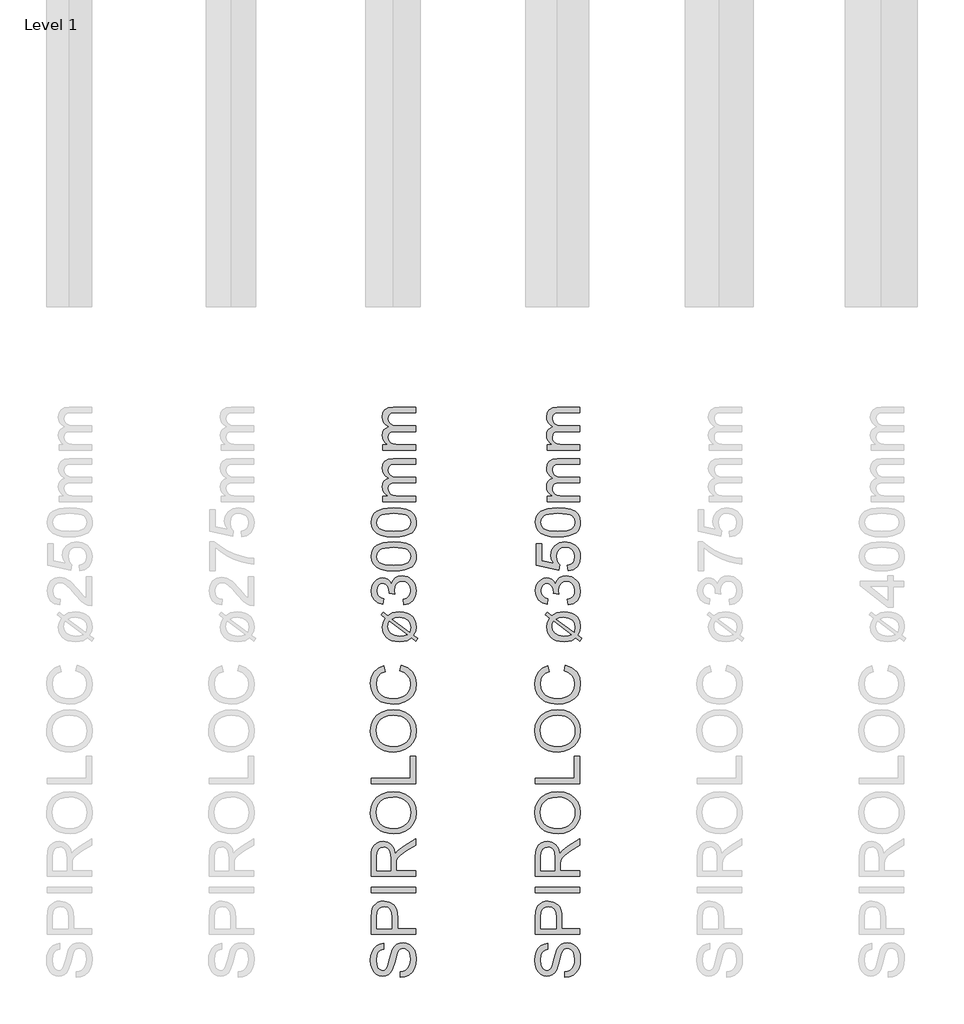
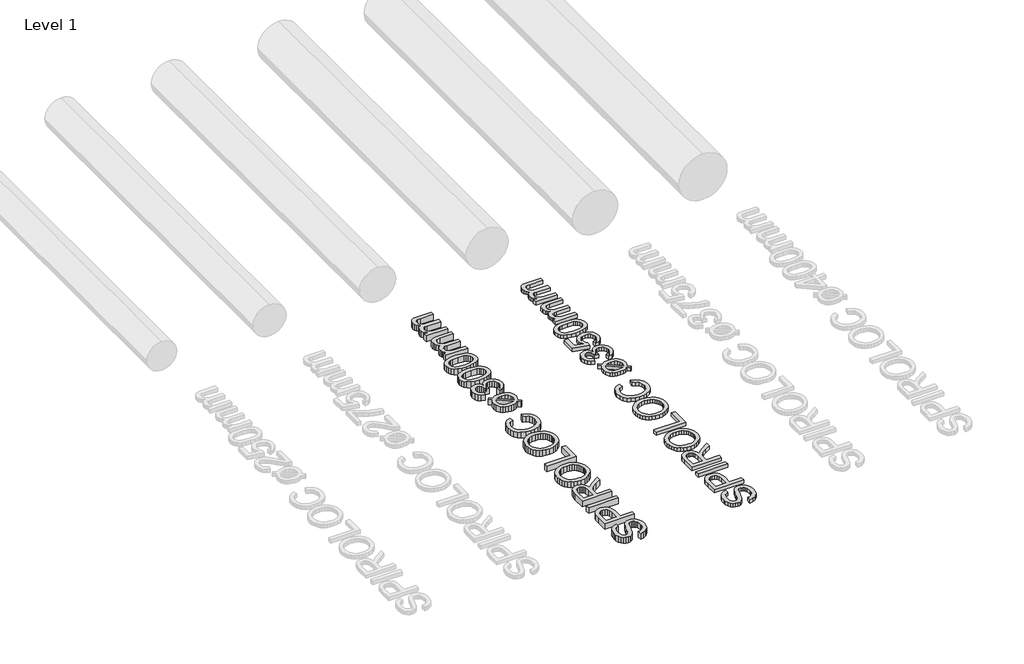
# One storey, part 8 of 19: 2 proxies.
"""IFC4 building model written with IfcOpenShell, lengths in millimetres."""

from ifc_helpers import new_model, si_unit, origin, origin_with_axes, place, context, project, spatial, polyline, outline, extrude, element, save

model = new_model("IFC4")

# Units and contexts
model_context = context("Model", 3, world=origin())
ifc_project = project(units=[si_unit("LENGTHUNIT", "METRE", prefix="MILLI")], contexts=[model_context])

# Site, building, storey
site = spatial("IfcSite", under=ifc_project)
building = spatial("IfcBuilding", under=site)
storey = spatial("IfcBuildingStorey", under=building, Name="Level 1", Elevation=0.0)

# Proxies
placement = place(None, origin())
element("IfcBuildingElementProxy", 1, Name="250mm", ObjectType="250mm", at=placement, inside=storey, context=model_context, shape_type="SweptSolid", body=[
    extrude(outline(polyline([(8708.496646, -1501.7841772), (8708.496646, -1471.0149464), (8725.5714658, -1467.4842974), (8739.2959249, -1461.099081), (8750.1883528, -1451.1381435), (8758.7670787, -1436.880331), (8764.333485, -1419.4524464), (8766.1889537, -1399.9812926), (8760.5699633, -1367.8298502), (8753.8992903, -1355.6678911), (8745.1252518, -1347.0666291), (8735.051634, -1341.950944), (8724.482223, -1340.2457156), (8705.2815018, -1345.3538887), (8697.6868504, -1353.1363406), (8691.309146, -1366.2673502), (8679.560348, -1411.0690329), (8664.3860691, -1459.2961964), (8654.0345066, -1474.6132036), (8641.4894345, -1485.4680714), (8627.0212855, -1491.93592), (8610.9004922, -1494.0918695), (8592.8791581, -1491.4251026), (8576.074771, -1483.4248022), (8561.8319826, -1470.3013046), (8551.4954441, -1452.2649464), (8545.207884, -1430.615307), (8543.1120307, -1406.6519656), (8545.3055403, -1380.6904272), (8551.8860691, -1357.974081), (8562.7184008, -1339.3142252), (8577.6673191, -1325.5221579), (8595.8013335, -1316.7931916), (8616.1889537, -1313.3226387), (8616.1889537, -1344.0918695), (8597.8295787, -1349.7409079), (8584.5783768, -1361.5197541), (8576.5555403, -1379.9242012), (8573.8812614, -1405.4500426), (8576.5254922, -1431.5768454), (8584.4581845, -1449.5005233), (8596.1318624, -1459.8671099), (8609.9990499, -1463.3226387), (8621.8229682, -1460.8737204), (8631.3331845, -1453.5269656), (8639.8367903, -1436.1591772), (8648.5206845, -1403.286581), (8663.965396, -1348.8394656), (8675.1282566, -1331.2989007), (8688.9052999, -1319.0618214), (8705.1462855, -1311.872819), (8723.700973, -1309.4764849), (8742.6688215, -1312.2333959), (8760.5098672, -1320.5041291), (8775.8644345, -1333.9506435), (8787.372848, -1352.2348983), (8794.5618504, -1374.2225786), (8796.9581845, -1398.7793695), (8794.3740499, -1428.9251026), (8786.621646, -1453.7373022), (8773.6709249, -1473.5014248), (8755.4918383, -1488.5029272), (8733.3464057, -1498.1333358), (8708.496646, -1501.7841772)])), origin_with_axes(), (0.0, 0.0, 1.0), 50.0),
    extrude(outline(polyline([(8793.1120307, -1263.3226387), (8546.9581845, -1263.3226387), (8546.9581845, -1172.0966772), (8549.3019345, -1135.317831), (8553.6814417, -1118.919093), (8560.810348, -1105.4199945), (8571.0116701, -1094.5501026), (8584.6084249, -1086.0389849), (8600.6465859, -1080.5401868), (8618.1721268, -1078.7072541), (8647.1835451, -1083.6576748), (8671.357223, -1098.5089368), (8680.8749513, -1110.4023412), (8687.6733287, -1126.2808719), (8691.7523552, -1146.1445287), (8693.1120307, -1169.9933118), (8693.1120307, -1232.5534079), (8793.1120307, -1232.5534079), (8793.1120307, -1263.3226387)]), holes=[polyline([(8662.3427999, -1232.5534079), (8662.3427999, -1168.1904272), (8659.5182807, -1140.9067733), (8651.044723, -1122.8779272), (8637.4479682, -1112.8268454), (8619.2538576, -1109.4764849), (8605.4317422, -1111.4521459), (8593.7730883, -1117.3791291), (8584.9990499, -1126.5212565), (8579.8307807, -1138.1423502), (8577.7274153, -1168.911581), (8577.7274153, -1232.5534079), (8662.3427999, -1232.5534079)])]), origin_with_axes(), (0.0, 0.0, 1.0), 50.0),
    extrude(outline(polyline([(8793.1120307, -1032.5534079), (8546.9581845, -1032.5534079), (8546.9581845, -1001.7841772), (8793.1120307, -1001.7841772), (8793.1120307, -1032.5534079)])), origin_with_axes(), (0.0, 0.0, 1.0), 50.0),
    extrude(outline(polyline([(8793.1120307, -940.2457156), (8546.9581845, -940.2457156), (8546.9581845, -834.1760041), (8548.6183408, -805.6678911), (8553.5988095, -784.927206), (8562.793521, -769.7679512), (8577.0964057, -758.0041291), (8594.8322831, -750.4545498), (8614.325973, -747.9380233), (8638.574771, -752.107194), (8658.6769345, -764.614706), (8673.4155162, -785.8361603), (8681.5735691, -816.1471579), (8694.7346268, -798.6591772), (8726.4052999, -773.7192733), (8793.1120307, -732.6736002), (8793.1120307, -768.4308118), (8742.090396, -800.4620618), (8708.3163576, -823.599081), (8692.3608287, -839.8550906), (8686.5014537, -854.4885041), (8685.419723, -872.3370618), (8685.419723, -909.4764849), (8793.1120307, -909.4764849), (8793.1120307, -940.2457156)]), holes=[polyline([(8654.6504922, -909.4764849), (8654.6504922, -840.6062926), (8650.293521, -805.4800906), (8644.6294585, -793.9266051), (8636.3512133, -785.5281676), (8626.3376917, -780.4124825), (8615.4677999, -778.7072541), (8600.4587855, -781.9599584), (8588.3644345, -791.7180714), (8580.3866701, -808.5074344), (8577.7274153, -832.8538887), (8577.7274153, -909.4764849), (8654.6504922, -909.4764849)])]), origin_with_axes(), (0.0, 0.0, 1.0), 50.0),
    extrude(outline(polyline([(8673.2802999, -705.630331), (8644.407854, -703.5795498), (8618.8482085, -697.427206), (8596.6013636, -687.1732998), (8577.6673191, -672.817831), (8562.5493804, -655.220926), (8551.7508528, -635.2427108), (8545.2717362, -612.8831856), (8543.1120307, -588.1423502), (8547.168521, -555.8556916), (8559.3379922, -526.9043695), (8578.7640739, -502.8659079), (8604.590396, -485.317831), (8635.5699633, -474.5906676), (8670.4557807, -471.0149464), (8705.8073432, -474.778468), (8737.2226076, -486.0690329), (8763.0940018, -504.2631435), (8781.8139537, -528.7373022), (8793.1721268, -557.4407276), (8796.9581845, -588.3226387), (8792.7739898, -621.1050906), (8780.2214057, -650.2216772), (8760.434747, -674.2000426), (8734.5483287, -691.567831), (8704.7631725, -702.114706), (8673.2802999, -705.630331)]), holes=[polyline([(8673.5807807, -674.8611002), (8693.9796689, -673.3230143), (8712.0873912, -668.7087565), (8727.9039477, -661.0183268), (8741.4293383, -650.2517252), (8752.2616701, -637.1639097), (8759.9990499, -622.5098382), (8764.6414778, -606.2895107), (8766.1889537, -588.5029272), (8764.6264537, -570.4121069), (8759.9389537, -554.0002228), (8752.1264537, -539.2672751), (8741.1889537, -526.2132637), (8727.3781064, -515.5255383), (8710.9455643, -507.8914488), (8691.8913275, -503.3109951), (8670.215396, -501.7841772), (8642.9768143, -504.3983599), (8619.434146, -512.2409079), (8600.1808408, -525.1089969), (8585.810348, -542.7998022), (8576.8635331, -564.1414488), (8573.8812614, -587.9620618), (8579.6279561, -621.0600185), (8596.8680403, -649.2000426), (8610.2826286, -660.4267553), (8627.5396148, -668.4458358), (8648.6389988, -673.2572841), (8673.5807807, -674.8611002)])]), origin_with_axes(), (0.0, 0.0, 1.0), 50.0),
    extrude(outline(polyline([(8793.1120307, -428.7072541), (8546.9581845, -428.7072541), (8546.9581845, -397.9380233), (8762.3427999, -397.9380233), (8762.3427999, -274.8611002), (8793.1120307, -274.8611002), (8793.1120307, -428.7072541)])), origin_with_axes(), (0.0, 0.0, 1.0), 50.0),
    extrude(outline(polyline([(8673.2802999, -251.7841772), (8644.407854, -249.7333959), (8618.8482085, -243.5810522), (8596.6013636, -233.3271459), (8577.6673191, -218.9716772), (8562.5493804, -201.3747721), (8551.7508528, -181.396557), (8545.2717362, -159.0370317), (8543.1120307, -134.2961964), (8547.168521, -102.0095377), (8559.3379922, -73.0582156), (8578.7640739, -49.0197541), (8604.590396, -31.4716772), (8635.5699633, -20.7445137), (8670.4557807, -17.1687926), (8705.8073432, -20.9323142), (8737.2226076, -32.2228791), (8763.0940018, -50.4169897), (8781.8139537, -74.8911483), (8793.1721268, -103.5945738), (8796.9581845, -134.4764849), (8792.7739898, -167.2589368), (8780.2214057, -196.3755233), (8760.434747, -220.3538887), (8734.5483287, -237.7216772), (8704.7631725, -248.2685522), (8673.2802999, -251.7841772)]), holes=[polyline([(8673.5807807, -221.0149464), (8693.9796689, -219.4768605), (8712.0873912, -214.8626026), (8727.9039477, -207.172173), (8741.4293383, -196.4055714), (8752.2616701, -183.3177559), (8759.9990499, -168.6636844), (8764.6414778, -152.4433569), (8766.1889537, -134.6567733), (8764.6264537, -116.565953), (8759.9389537, -100.154069), (8752.1264537, -85.4211213), (8741.1889537, -72.3671099), (8727.3781064, -61.6793845), (8710.9455643, -54.045295), (8691.8913275, -49.4648412), (8670.215396, -47.9380233), (8642.9768143, -50.552206), (8619.434146, -58.3947541), (8600.1808408, -71.262843), (8585.810348, -88.9536483), (8576.8635331, -110.295295), (8573.8812614, -134.1159079), (8579.6279561, -167.2138647), (8596.8680403, -195.3538887), (8610.2826286, -206.5806014), (8627.5396148, -214.599682), (8648.6389988, -219.4111303), (8673.5807807, -221.0149464)])]), origin_with_axes(), (0.0, 0.0, 1.0), 50.0),
    extrude(outline(polyline([(8705.6120307, 198.2158228), (8713.544723, 228.9850536), (8749.3995908, 214.7873373), (8775.5940018, 192.5066882), (8791.6171388, 163.2398613), (8796.9581845, 128.0836113), (8792.9167182, 92.3940079), (8780.7923191, 64.0511594), (8761.0056605, 42.3263998), (8733.9774153, 26.4910632), (8702.2015739, 16.8230945), (8668.1721268, 13.6004382), (8632.2796989, 17.2437675), (8601.2851076, 28.1737555), (8576.1724273, 45.8194887), (8557.9257326, 69.6100536), (8546.8154561, 97.8251978), (8543.1120307, 128.744669), (8547.9046989, 162.4811474), (8562.2827037, 190.3732748), (8585.3596268, 211.549657), (8616.2490499, 225.1388998), (8623.5807807, 194.369669), (8601.1423792, 183.7026017), (8585.7502518, 169.1292844), (8576.848509, 150.4694286), (8573.8812614, 127.5427459), (8577.1715258, 101.1154623), (8587.0423191, 79.4057267), (8602.4569826, 62.9318685), (8622.3788576, 52.2122171), (8644.8998912, 46.330306), (8668.1120307, 44.369669), (8696.5375114, 46.6908829), (8721.1168383, 53.6545248), (8740.911009, 65.5235151), (8754.981021, 82.5607748), (8763.3869706, 102.985955), (8766.1889537, 125.0187074), (8762.372848, 150.7023012), (8750.9245307, 172.104044), (8731.9641941, 188.2623974), (8705.6120307, 198.2158228)])), origin_with_axes(), (0.0, 0.0, 1.0), 50.0),
    extrude(outline(polyline([(8626.044723, 490.2831305), (8601.7658768, 508.6725536), (8612.9437614, 523.3360151), (8638.3644345, 504.0451498), (8664.6264537, 519.5499574), (8703.809146, 525.1388998), (8727.3518143, 523.3923553), (8747.559146, 518.1527219), (8764.4311412, 509.4199995), (8777.9677999, 497.1941882), (8792.2105883, 472.2092123), (8796.9581845, 442.5667844), (8792.9167182, 417.822193), (8780.7923191, 396.1124574), (8804.6504922, 378.0235151), (8793.7129922, 363.119669), (8770.9365499, 380.4273613), (8747.7394345, 366.4249574), (8727.9377518, 361.4219526), (8705.6721268, 359.7542844), (8681.7857837, 361.2717123), (8661.4488696, 365.8239959), (8644.6613846, 373.4111353), (8631.4233287, 384.0331305), (8614.2283167, 410.4303661), (8608.496646, 441.0643805), (8612.7334249, 466.0042844), (8626.044723, 490.2831305)]), holes=[polyline([(8647.919723, 473.6965921), (8641.4293383, 458.3119767), (8639.2658768, 442.2062074), (8643.4200234, 421.9988757), (8655.8824633, 405.3672651), (8676.5630523, 394.2344526), (8705.371646, 390.5235151), (8727.7875114, 392.6719526), (8746.2370307, 399.1172651), (8647.919723, 473.6965921)]), polyline([(8663.3043383, 485.1749574), (8761.0807807, 411.0163036), (8766.1889537, 440.5836113), (8762.1249513, 461.9177459), (8749.9329441, 479.1653421), (8729.6279561, 490.5685873), (8701.2250114, 494.369669), (8680.0110691, 492.025919), (8663.3043383, 485.1749574)])]), origin_with_axes(), (0.0, 0.0, 1.0), 50.0),
    extrude(outline(polyline([(8727.7274153, 563.6004382), (8723.8812614, 594.369669), (8743.2171989, 601.2581906), (8756.2730883, 611.3468324), (8763.7099874, 625.1313877), (8766.1889537, 643.1076498), (8762.778497, 664.2013998), (8752.5471268, 680.4874574), (8737.2827037, 690.8991161), (8718.7730883, 694.369669), (8701.2024754, 690.9291642), (8686.9521749, 680.6076498), (8677.5095667, 664.9826498), (8674.3620307, 645.6316882), (8677.7274153, 624.057169), (8646.9581845, 627.4826498), (8647.3187614, 632.4105344), (8645.1102278, 650.8450296), (8638.4846268, 667.3263998), (8627.2766941, 678.9550055), (8611.3211653, 682.8312074), (8598.0324033, 680.0217123), (8587.2526557, 671.5932267), (8580.1087254, 658.7326498), (8577.7274153, 642.6268805), (8580.1312614, 626.4910632), (8587.3427999, 613.2999574), (8599.3620307, 603.6695488), (8616.1889537, 598.2158228), (8612.3427999, 567.4465921), (8584.7135932, 576.5060873), (8564.0855883, 592.6268805), (8551.2400355, 614.682169), (8546.9581845, 641.5451498), (8549.0690619, 660.8885993), (8555.4016941, 678.6545248), (8565.3926797, 693.6334911), (8578.4786172, 704.6160632), (8593.5552398, 711.3543445), (8609.5182807, 713.6004382), (8624.3920787, 711.4670248), (8637.8836653, 705.0667844), (8649.3770547, 694.4898613), (8658.2562614, 679.8263998), (8666.0387133, 699.0872171), (8679.2899153, 713.3600536), (8697.2887133, 722.1941882), (8719.3139537, 725.1388998), (8749.3019345, 719.2494767), (8774.3620307, 701.5812074), (8784.247848, 689.0248673), (8791.309146, 674.9135392), (8796.9581845, 642.025919), (8792.1354682, 612.2783228), (8777.6673191, 588.0595728), (8755.5369105, 571.2176257), (8727.7274153, 563.6004382)])), origin_with_axes(), (0.0, 0.0, 1.0), 50.0),
    extrude(outline(polyline([(8672.0182807, 752.0619767), (8632.6177398, 754.3230945), (8601.1949633, 761.1064478), (8577.2691821, 772.3444286), (8560.3596268, 787.9694286), (8550.3085451, 808.0941281), (8546.9581845, 832.8312074), (8548.9413576, 851.791544), (8554.8908768, 868.7687074), (8564.5738696, 882.9664238), (8577.7574633, 893.588419), (8614.1757326, 908.0114959), (8639.3785571, 912.2032026), (8672.0182807, 913.6004382), (8711.1934609, 911.3618565), (8742.5411172, 904.6461113), (8766.4894345, 893.4757387), (8783.466598, 877.8732748), (8793.5852879, 857.7035031), (8796.9581845, 832.8312074), (8795.4933408, 815.8840921), (8791.0988095, 800.8600536), (8783.7745908, 787.7590921), (8773.5206845, 776.5812074), (8754.984777, 765.854044), (8731.8890739, 758.1917844), (8704.2335751, 753.5944286), (8672.0182807, 752.0619767)]), holes=[polyline([(8671.9581845, 782.8312074), (8720.3581244, 786.4369767), (8736.9127368, 790.9441882), (8748.3704441, 797.2542844), (8761.7343263, 813.3600536), (8766.1889537, 832.8312074), (8761.7193023, 852.3023613), (8748.310348, 868.4081305), (8736.8338606, 874.7182267), (8720.2830042, 879.2254382), (8671.9581845, 882.8312074), (8624.6474874, 879.3456305), (8608.1473371, 874.9886594), (8596.4173191, 868.8888998), (8582.3998912, 852.8131786), (8577.7274153, 832.4706305), (8581.8440018, 813.2098132), (8594.1937614, 797.7350536), (8606.9641941, 791.2146209), (8624.1817422, 786.557169), (8671.9581845, 782.8312074)])]), origin_with_axes(), (0.0, 0.0, 1.0), 50.0),
    extrude(outline(polyline([(8672.0182807, 940.5235151), (8632.6177398, 942.7846329), (8601.1949633, 949.5679863), (8577.2691821, 960.8059671), (8560.3596268, 976.4309671), (8550.3085451, 996.5556666), (8546.9581845, 1021.2927459), (8548.9413576, 1040.2530824), (8554.8908768, 1057.2302459), (8564.5738696, 1071.4279623), (8577.7574633, 1082.0499574), (8614.1757326, 1096.4730344), (8639.3785571, 1100.6647411), (8672.0182807, 1102.0619767), (8711.1934609, 1099.8233949), (8742.5411172, 1093.1076498), (8766.4894345, 1081.9372772), (8783.466598, 1066.3348132), (8793.5852879, 1046.1650416), (8796.9581845, 1021.2927459), (8795.4933408, 1004.3456305), (8791.0988095, 989.3215921), (8783.7745908, 976.2206305), (8773.5206845, 965.0427459), (8754.984777, 954.3155824), (8731.8890739, 946.6533228), (8704.2335751, 942.0559671), (8672.0182807, 940.5235151)]), holes=[polyline([(8671.9581845, 971.2927459), (8720.3581244, 974.8985151), (8736.9127368, 979.4057267), (8748.3704441, 985.7158228), (8761.7343263, 1001.8215921), (8766.1889537, 1021.2927459), (8761.7193023, 1040.7638998), (8748.310348, 1056.869669), (8736.8338606, 1063.1797651), (8720.2830042, 1067.6869767), (8671.9581845, 1071.2927459), (8624.6474874, 1067.807169), (8608.1473371, 1063.4501978), (8596.4173191, 1057.3504382), (8582.3998912, 1041.2747171), (8577.7274153, 1020.932169), (8581.8440018, 1001.6713517), (8594.1937614, 986.1965921), (8606.9641941, 979.6761594), (8624.1817422, 975.0187074), (8671.9581845, 971.2927459)])]), origin_with_axes(), (0.0, 0.0, 1.0), 50.0),
    extrude(outline(polyline([(8793.1120307, 1136.6773613), (8612.3427999, 1136.6773613), (8612.3427999, 1167.4465921), (8642.090396, 1167.4465921), (8628.4260331, 1176.7013998), (8617.7214057, 1188.6004382), (8610.8028359, 1202.7380584), (8608.496646, 1218.7086113), (8610.8479081, 1235.8209911), (8617.9016941, 1249.5379382), (8629.192259, 1259.7843324), (8644.2538576, 1266.4850536), (8628.6100775, 1277.7004983), (8617.4359489, 1290.4934671), (8610.7314718, 1304.8639599), (8608.496646, 1320.8119767), (8612.2150956, 1343.9414839), (8623.3704441, 1361.0463517), (8642.2631725, 1371.6157627), (8669.1937614, 1375.1388998), (8793.1120307, 1375.1388998), (8793.1120307, 1344.369669), (8682.4149153, 1344.369669), (8656.7238095, 1341.5151017), (8644.0735691, 1331.1785632), (8639.2658768, 1313.6004382), (8642.3458047, 1296.9312675), (8651.5855883, 1283.3420248), (8667.6162374, 1274.3050656), (8691.0687614, 1271.2927459), (8793.1120307, 1271.2927459), (8793.1120307, 1240.5235151), (8678.9894345, 1240.5235151), (8661.591598, 1238.7431666), (8649.1817422, 1233.4021209), (8641.7448432, 1224.0045849), (8639.2658768, 1210.0547651), (8640.918521, 1198.2007988), (8645.8764537, 1187.2783228), (8654.0194826, 1178.2638998), (8665.2274153, 1172.1340921), (8701.9461653, 1167.4465921), (8793.1120307, 1167.4465921), (8793.1120307, 1136.6773613)])), origin_with_axes(), (0.0, 0.0, 1.0), 50.0),
    extrude(outline(polyline([(8793.1120307, 1421.2927459), (8612.3427999, 1421.2927459), (8612.3427999, 1452.0619767), (8642.090396, 1452.0619767), (8628.4260331, 1461.3167844), (8617.7214057, 1473.2158228), (8610.8028359, 1487.353443), (8608.496646, 1503.3239959), (8610.8479081, 1520.4363757), (8617.9016941, 1534.1533228), (8629.192259, 1544.3997171), (8644.2538576, 1551.1004382), (8628.6100775, 1562.3158829), (8617.4359489, 1575.1088517), (8610.7314718, 1589.4793445), (8608.496646, 1605.4273613), (8612.2150956, 1628.5568685), (8623.3704441, 1645.6617363), (8642.2631725, 1656.2311474), (8669.1937614, 1659.7542844), (8793.1120307, 1659.7542844), (8793.1120307, 1628.9850536), (8682.4149153, 1628.9850536), (8656.7238095, 1626.1304863), (8644.0735691, 1615.7939478), (8639.2658768, 1598.2158228), (8642.3458047, 1581.5466522), (8651.5855883, 1567.9574094), (8667.6162374, 1558.9204502), (8691.0687614, 1555.9081305), (8793.1120307, 1555.9081305), (8793.1120307, 1525.1388998), (8678.9894345, 1525.1388998), (8661.591598, 1523.3585512), (8649.1817422, 1518.0175055), (8641.7448432, 1508.6199695), (8639.2658768, 1494.6701498), (8640.918521, 1482.8161834), (8645.8764537, 1471.8937074), (8654.0194826, 1462.8792844), (8665.2274153, 1456.7494767), (8701.9461653, 1452.0619767), (8793.1120307, 1452.0619767), (8793.1120307, 1421.2927459)])), origin_with_axes(), (0.0, 0.0, 1.0), 50.0),
])
element("IfcBuildingElementProxy", 2, Name="250mm", ObjectType="250mm", at=placement, inside=storey, context=model_context, shape_type="SweptSolid", body=[
    extrude(outline(polyline([(9619.0735691, -1501.7841772), (9619.0735691, -1471.0149464), (9636.1483888, -1467.4842974), (9649.872848, -1461.099081), (9660.7652758, -1451.1381435), (9669.3440018, -1436.880331), (9674.9104081, -1419.4524464), (9676.7658768, -1399.9812926), (9671.1468864, -1367.8298502), (9664.4762133, -1355.6678911), (9655.7021749, -1347.0666291), (9645.6285571, -1341.950944), (9635.059146, -1340.2457156), (9615.8584249, -1345.3538887), (9608.2637734, -1353.1363406), (9601.8860691, -1366.2673502), (9590.137271, -1411.0690329), (9574.9629922, -1459.2961964), (9564.6114297, -1474.6132036), (9552.0663576, -1485.4680714), (9537.5982085, -1491.93592), (9521.4774153, -1494.0918695), (9503.4560811, -1491.4251026), (9486.6516941, -1483.4248022), (9472.4089057, -1470.3013046), (9462.0723672, -1452.2649464), (9455.7848071, -1430.615307), (9453.6889537, -1406.6519656), (9455.8824633, -1380.6904272), (9462.4629922, -1357.974081), (9473.2953239, -1339.3142252), (9488.2442422, -1325.5221579), (9506.3782566, -1316.7931916), (9526.7658768, -1313.3226387), (9526.7658768, -1344.0918695), (9508.4065018, -1349.7409079), (9495.1552999, -1361.5197541), (9487.1324633, -1379.9242012), (9484.4581845, -1405.4500426), (9487.1024153, -1431.5768454), (9495.0351076, -1449.5005233), (9506.7087855, -1459.8671099), (9520.575973, -1463.3226387), (9532.3998912, -1460.8737204), (9541.9101076, -1453.5269656), (9550.4137133, -1436.1591772), (9559.0976076, -1403.286581), (9574.5423191, -1348.8394656), (9585.7051797, -1331.2989007), (9599.482223, -1319.0618214), (9615.7232085, -1311.872819), (9634.277896, -1309.4764849), (9653.2457446, -1312.2333959), (9671.0867903, -1320.5041291), (9686.4413576, -1333.9506435), (9697.949771, -1352.2348983), (9705.1387734, -1374.2225786), (9707.5351076, -1398.7793695), (9704.950973, -1428.9251026), (9697.1985691, -1453.7373022), (9684.247848, -1473.5014248), (9666.0687614, -1488.5029272), (9643.9233287, -1498.1333358), (9619.0735691, -1501.7841772)])), origin_with_axes(), (0.0, 0.0, 1.0), 30.0),
    extrude(outline(polyline([(9703.6889537, -1263.3226387), (9457.5351076, -1263.3226387), (9457.5351076, -1172.0966772), (9459.8788576, -1135.317831), (9464.2583648, -1118.919093), (9471.387271, -1105.4199945), (9481.5885932, -1094.5501026), (9495.185348, -1086.0389849), (9511.223509, -1080.5401868), (9528.7490499, -1078.7072541), (9557.7604682, -1083.6576748), (9581.934146, -1098.5089368), (9591.4518744, -1110.4023412), (9598.2502518, -1126.2808719), (9602.3292783, -1146.1445287), (9603.6889537, -1169.9933118), (9603.6889537, -1232.5534079), (9703.6889537, -1232.5534079), (9703.6889537, -1263.3226387)]), holes=[polyline([(9572.919723, -1232.5534079), (9572.919723, -1168.1904272), (9570.0952037, -1140.9067733), (9561.621646, -1122.8779272), (9548.0248912, -1112.8268454), (9529.8307807, -1109.4764849), (9516.0086653, -1111.4521459), (9504.3500114, -1117.3791291), (9495.575973, -1126.5212565), (9490.4077037, -1138.1423502), (9488.3043383, -1168.911581), (9488.3043383, -1232.5534079), (9572.919723, -1232.5534079)])]), origin_with_axes(), (0.0, 0.0, 1.0), 30.0),
    extrude(outline(polyline([(9703.6889537, -1032.5534079), (9457.5351076, -1032.5534079), (9457.5351076, -1001.7841772), (9703.6889537, -1001.7841772), (9703.6889537, -1032.5534079)])), origin_with_axes(), (0.0, 0.0, 1.0), 30.0),
    extrude(outline(polyline([(9703.6889537, -940.2457156), (9457.5351076, -940.2457156), (9457.5351076, -834.1760041), (9459.1952638, -805.6678911), (9464.1757326, -784.927206), (9473.3704441, -769.7679512), (9487.6733287, -758.0041291), (9505.4092061, -750.4545498), (9524.902896, -747.9380233), (9549.1516941, -752.107194), (9569.2538576, -764.614706), (9583.9924393, -785.8361603), (9592.1504922, -816.1471579), (9605.3115499, -798.6591772), (9636.982223, -773.7192733), (9703.6889537, -732.6736002), (9703.6889537, -768.4308118), (9652.6673191, -800.4620618), (9618.8932807, -823.599081), (9602.9377518, -839.8550906), (9597.0783768, -854.4885041), (9595.996646, -872.3370618), (9595.996646, -909.4764849), (9703.6889537, -909.4764849), (9703.6889537, -940.2457156)]), holes=[polyline([(9565.2274153, -909.4764849), (9565.2274153, -840.6062926), (9560.8704441, -805.4800906), (9555.2063816, -793.9266051), (9546.9281364, -785.5281676), (9536.9146148, -780.4124825), (9526.044723, -778.7072541), (9511.0357085, -781.9599584), (9498.9413576, -791.7180714), (9490.9635932, -808.5074344), (9488.3043383, -832.8538887), (9488.3043383, -909.4764849), (9565.2274153, -909.4764849)])]), origin_with_axes(), (0.0, 0.0, 1.0), 30.0),
    extrude(outline(polyline([(9583.857223, -705.630331), (9554.984777, -703.5795498), (9529.4251316, -697.427206), (9507.1782867, -687.1732998), (9488.2442422, -672.817831), (9473.1263035, -655.220926), (9462.3277758, -635.2427108), (9455.8486593, -612.8831856), (9453.6889537, -588.1423502), (9457.7454441, -555.8556916), (9469.9149153, -526.9043695), (9489.340997, -502.8659079), (9515.1673191, -485.317831), (9546.1468864, -474.5906676), (9581.0327037, -471.0149464), (9616.3842662, -474.778468), (9647.7995307, -486.0690329), (9673.6709249, -504.2631435), (9692.3908768, -528.7373022), (9703.7490499, -557.4407276), (9707.5351076, -588.3226387), (9703.3509129, -621.1050906), (9690.7983287, -650.2216772), (9671.0116701, -674.2000426), (9645.1252518, -691.567831), (9615.3400956, -702.114706), (9583.857223, -705.630331)]), holes=[polyline([(9584.1577037, -674.8611002), (9604.556592, -673.3230143), (9622.6643143, -668.7087565), (9638.4808708, -661.0183268), (9652.0062614, -650.2517252), (9662.8385932, -637.1639097), (9670.575973, -622.5098382), (9675.2184008, -606.2895107), (9676.7658768, -588.5029272), (9675.2033768, -570.4121069), (9670.5158768, -554.0002228), (9662.7033768, -539.2672751), (9651.7658768, -526.2132637), (9637.9550295, -515.5255383), (9621.5224874, -507.8914488), (9602.4682506, -503.3109951), (9580.7923191, -501.7841772), (9553.5537374, -504.3983599), (9530.0110691, -512.2409079), (9510.7577638, -525.1089969), (9496.387271, -542.7998022), (9487.4404561, -564.1414488), (9484.4581845, -587.9620618), (9490.2048792, -621.0600185), (9507.4449633, -649.2000426), (9520.8595517, -660.4267553), (9538.1165379, -668.4458358), (9559.2159219, -673.2572841), (9584.1577037, -674.8611002)])]), origin_with_axes(), (0.0, 0.0, 1.0), 30.0),
    extrude(outline(polyline([(9703.6889537, -428.7072541), (9457.5351076, -428.7072541), (9457.5351076, -397.9380233), (9672.919723, -397.9380233), (9672.919723, -274.8611002), (9703.6889537, -274.8611002), (9703.6889537, -428.7072541)])), origin_with_axes(), (0.0, 0.0, 1.0), 30.0),
    extrude(outline(polyline([(9583.857223, -251.7841772), (9554.984777, -249.7333959), (9529.4251316, -243.5810522), (9507.1782867, -233.3271459), (9488.2442422, -218.9716772), (9473.1263035, -201.3747721), (9462.3277758, -181.396557), (9455.8486593, -159.0370317), (9453.6889537, -134.2961964), (9457.7454441, -102.0095377), (9469.9149153, -73.0582156), (9489.340997, -49.0197541), (9515.1673191, -31.4716772), (9546.1468864, -20.7445137), (9581.0327037, -17.1687926), (9616.3842662, -20.9323142), (9647.7995307, -32.2228791), (9673.6709249, -50.4169897), (9692.3908768, -74.8911483), (9703.7490499, -103.5945738), (9707.5351076, -134.4764849), (9703.3509129, -167.2589368), (9690.7983287, -196.3755233), (9671.0116701, -220.3538887), (9645.1252518, -237.7216772), (9615.3400956, -248.2685522), (9583.857223, -251.7841772)]), holes=[polyline([(9584.1577037, -221.0149464), (9604.556592, -219.4768605), (9622.6643143, -214.8626026), (9638.4808708, -207.172173), (9652.0062614, -196.4055714), (9662.8385932, -183.3177559), (9670.575973, -168.6636844), (9675.2184008, -152.4433569), (9676.7658768, -134.6567733), (9675.2033768, -116.565953), (9670.5158768, -100.154069), (9662.7033768, -85.4211213), (9651.7658768, -72.3671099), (9637.9550295, -61.6793845), (9621.5224874, -54.045295), (9602.4682506, -49.4648412), (9580.7923191, -47.9380233), (9553.5537374, -50.552206), (9530.0110691, -58.3947541), (9510.7577638, -71.262843), (9496.387271, -88.9536483), (9487.4404561, -110.295295), (9484.4581845, -134.1159079), (9490.2048792, -167.2138647), (9507.4449633, -195.3538887), (9520.8595517, -206.5806014), (9538.1165379, -214.599682), (9559.2159219, -219.4111303), (9584.1577037, -221.0149464)])]), origin_with_axes(), (0.0, 0.0, 1.0), 30.0),
    extrude(outline(polyline([(9616.1889537, 198.2158228), (9624.121646, 228.9850536), (9659.9765138, 214.7873373), (9686.1709249, 192.5066882), (9702.1940619, 163.2398613), (9707.5351076, 128.0836113), (9703.4936412, 92.3940079), (9691.3692422, 64.0511594), (9671.5825835, 42.3263998), (9644.5543383, 26.4910632), (9612.778497, 16.8230945), (9578.7490499, 13.6004382), (9542.856622, 17.2437675), (9511.8620307, 28.1737555), (9486.7493504, 45.8194887), (9468.5026557, 69.6100536), (9457.3923792, 97.8251978), (9453.6889537, 128.744669), (9458.481622, 162.4811474), (9472.8596268, 190.3732748), (9495.9365499, 211.549657), (9526.825973, 225.1388998), (9534.1577037, 194.369669), (9511.7193023, 183.7026017), (9496.3271749, 169.1292844), (9487.4254321, 150.4694286), (9484.4581845, 127.5427459), (9487.7484489, 101.1154623), (9497.6192422, 79.4057267), (9513.0339057, 62.9318685), (9532.9557807, 52.2122171), (9555.4768143, 46.330306), (9578.6889537, 44.369669), (9607.1144345, 46.6908829), (9631.6937614, 53.6545248), (9651.4879321, 65.5235151), (9665.5579441, 82.5607748), (9673.9638936, 102.985955), (9676.7658768, 125.0187074), (9672.949771, 150.7023012), (9661.5014537, 172.104044), (9642.5411172, 188.2623974), (9616.1889537, 198.2158228)])), origin_with_axes(), (0.0, 0.0, 1.0), 30.0),
    extrude(outline(polyline([(9536.621646, 490.2831305), (9512.3427999, 508.6725536), (9523.5206845, 523.3360151), (9548.9413576, 504.0451498), (9575.2033768, 519.5499574), (9614.3860691, 525.1388998), (9637.9287374, 523.3923553), (9658.1360691, 518.1527219), (9675.0080643, 509.4199995), (9688.544723, 497.1941882), (9702.7875114, 472.2092123), (9707.5351076, 442.5667844), (9703.4936412, 417.822193), (9691.3692422, 396.1124574), (9715.2274153, 378.0235151), (9704.2899153, 363.119669), (9681.513473, 380.4273613), (9658.3163576, 366.4249574), (9638.5146749, 361.4219526), (9616.2490499, 359.7542844), (9592.3627067, 361.2717123), (9572.0257927, 365.8239959), (9555.2383077, 373.4111353), (9542.0002518, 384.0331305), (9524.8052398, 410.4303661), (9519.0735691, 441.0643805), (9523.310348, 466.0042844), (9536.621646, 490.2831305)]), holes=[polyline([(9558.496646, 473.6965921), (9552.0062614, 458.3119767), (9549.8427999, 442.2062074), (9553.9969465, 421.9988757), (9566.4593864, 405.3672651), (9587.1399754, 394.2344526), (9615.9485691, 390.5235151), (9638.3644345, 392.6719526), (9656.8139537, 399.1172651), (9558.496646, 473.6965921)]), polyline([(9573.8812614, 485.1749574), (9671.6577037, 411.0163036), (9676.7658768, 440.5836113), (9672.7018744, 461.9177459), (9660.5098672, 479.1653421), (9640.2048792, 490.5685873), (9611.8019345, 494.369669), (9590.5879922, 492.025919), (9573.8812614, 485.1749574)])]), origin_with_axes(), (0.0, 0.0, 1.0), 30.0),
    extrude(outline(polyline([(9638.3043383, 563.6004382), (9634.4581845, 594.369669), (9653.794122, 601.2581906), (9666.8500114, 611.3468324), (9674.2869105, 625.1313877), (9676.7658768, 643.1076498), (9673.3554201, 664.2013998), (9663.1240499, 680.4874574), (9647.8596268, 690.8991161), (9629.3500114, 694.369669), (9611.7793984, 690.9291642), (9597.529098, 680.6076498), (9588.0864898, 664.9826498), (9584.9389537, 645.6316882), (9588.3043383, 624.057169), (9557.5351076, 627.4826498), (9557.8956845, 632.4105344), (9555.6871508, 650.8450296), (9549.0615499, 667.3263998), (9537.8536172, 678.9550055), (9521.8980883, 682.8312074), (9508.6093263, 680.0217123), (9497.8295787, 671.5932267), (9490.6856484, 658.7326498), (9488.3043383, 642.6268805), (9490.7081845, 626.4910632), (9497.919723, 613.2999574), (9509.9389537, 603.6695488), (9526.7658768, 598.2158228), (9522.919723, 567.4465921), (9495.2905162, 576.5060873), (9474.6625114, 592.6268805), (9461.8169585, 614.682169), (9457.5351076, 641.5451498), (9459.645985, 660.8885993), (9465.9786172, 678.6545248), (9475.9696028, 693.6334911), (9489.0555403, 704.6160632), (9504.1321629, 711.3543445), (9520.0952037, 713.6004382), (9534.9690018, 711.4670248), (9548.4605883, 705.0667844), (9559.9539778, 694.4898613), (9568.8331845, 679.8263998), (9576.6156364, 699.0872171), (9589.8668383, 713.3600536), (9607.8656364, 722.1941882), (9629.8908768, 725.1388998), (9659.8788576, 719.2494767), (9684.9389537, 701.5812074), (9694.824771, 689.0248673), (9701.8860691, 674.9135392), (9707.5351076, 642.025919), (9702.7123912, 612.2783228), (9688.2442422, 588.0595728), (9666.1138335, 571.2176257), (9638.3043383, 563.6004382)])), origin_with_axes(), (0.0, 0.0, 1.0), 30.0),
    extrude(outline(polyline([(9638.3043383, 752.0619767), (9634.4581845, 782.8312074), (9652.9302398, 788.4802459), (9666.1589057, 798.3360151), (9674.114134, 812.353443), (9676.7658768, 830.4874574), (9673.0774754, 852.5427459), (9662.012271, 869.0691882), (9644.8473071, 879.3907026), (9622.8596268, 882.8312074), (9602.1565018, 879.6085512), (9586.3211653, 869.9405824), (9576.2700835, 853.752181), (9572.919723, 830.9682267), (9578.2682807, 803.9550055), (9592.1504922, 786.6773613), (9588.3043383, 755.9081305), (9461.3812614, 782.8312074), (9461.3812614, 902.0619767), (9492.1504922, 902.0619767), (9492.1504922, 807.7110151), (9559.9389537, 794.5499574), (9546.5976076, 816.5301257), (9542.1504922, 839.5619767), (9547.6643143, 868.3104743), (9564.2057807, 892.1761594), (9589.4161172, 908.2443685), (9620.9365499, 913.6004382), (9651.7057807, 908.7777219), (9678.027896, 894.3095728), (9690.9373011, 881.5241161), (9700.1583047, 866.6052459), (9705.6909069, 849.5529623), (9707.5351076, 830.3672651), (9702.7950234, 800.1464118), (9688.574771, 776.0703901), (9666.5269946, 759.5664839), (9638.3043383, 752.0619767)])), origin_with_axes(), (0.0, 0.0, 1.0), 30.0),
    extrude(outline(polyline([(9582.5952037, 940.5235151), (9543.1946629, 942.7846329), (9511.7718864, 949.5679863), (9487.8461052, 960.8059671), (9470.9365499, 976.4309671), (9460.8854682, 996.5556666), (9457.5351076, 1021.2927459), (9459.5182807, 1040.2530824), (9465.4677999, 1057.2302459), (9475.1507927, 1071.4279623), (9488.3343864, 1082.0499574), (9524.7526557, 1096.4730344), (9549.9554802, 1100.6647411), (9582.5952037, 1102.0619767), (9621.770384, 1099.8233949), (9653.1180403, 1093.1076498), (9677.0663576, 1081.9372772), (9694.043521, 1066.3348132), (9704.1622109, 1046.1650416), (9707.5351076, 1021.2927459), (9706.0702638, 1004.3456305), (9701.6757326, 989.3215921), (9694.3515138, 976.2206305), (9684.0976076, 965.0427459), (9665.5617001, 954.3155824), (9642.465997, 946.6533228), (9614.8104982, 942.0559671), (9582.5952037, 940.5235151)]), holes=[polyline([(9582.5351076, 971.2927459), (9630.9350475, 974.8985151), (9647.4896599, 979.4057267), (9658.9473672, 985.7158228), (9672.3112494, 1001.8215921), (9676.7658768, 1021.2927459), (9672.2962254, 1040.7638998), (9658.887271, 1056.869669), (9647.4107837, 1063.1797651), (9630.8599273, 1067.6869767), (9582.5351076, 1071.2927459), (9535.2244105, 1067.807169), (9518.7242602, 1063.4501978), (9506.9942422, 1057.3504382), (9492.9768143, 1041.2747171), (9488.3043383, 1020.932169), (9492.4209249, 1001.6713517), (9504.7706845, 986.1965921), (9517.5411172, 979.6761594), (9534.7586653, 975.0187074), (9582.5351076, 971.2927459)])]), origin_with_axes(), (0.0, 0.0, 1.0), 30.0),
    extrude(outline(polyline([(9703.6889537, 1136.6773613), (9522.919723, 1136.6773613), (9522.919723, 1167.4465921), (9552.6673191, 1167.4465921), (9539.0029561, 1176.7013998), (9528.2983287, 1188.6004382), (9521.379759, 1202.7380584), (9519.0735691, 1218.7086113), (9521.4248311, 1235.8209911), (9528.4786172, 1249.5379382), (9539.7691821, 1259.7843324), (9554.8307807, 1266.4850536), (9539.1870006, 1277.7004983), (9528.012872, 1290.4934671), (9521.3083948, 1304.8639599), (9519.0735691, 1320.8119767), (9522.7920186, 1343.9414839), (9533.9473672, 1361.0463517), (9552.8400956, 1371.6157627), (9579.7706845, 1375.1388998), (9703.6889537, 1375.1388998), (9703.6889537, 1344.369669), (9592.9918383, 1344.369669), (9567.3007326, 1341.5151017), (9554.6504922, 1331.1785632), (9549.8427999, 1313.6004382), (9552.9227278, 1296.9312675), (9562.1625114, 1283.3420248), (9578.1931605, 1274.3050656), (9601.6456845, 1271.2927459), (9703.6889537, 1271.2927459), (9703.6889537, 1240.5235151), (9589.5663576, 1240.5235151), (9572.168521, 1238.7431666), (9559.7586653, 1233.4021209), (9552.3217662, 1224.0045849), (9549.8427999, 1210.0547651), (9551.4954441, 1198.2007988), (9556.4533768, 1187.2783228), (9564.5964057, 1178.2638998), (9575.8043383, 1172.1340921), (9612.5230883, 1167.4465921), (9703.6889537, 1167.4465921), (9703.6889537, 1136.6773613)])), origin_with_axes(), (0.0, 0.0, 1.0), 30.0),
    extrude(outline(polyline([(9703.6889537, 1421.2927459), (9522.919723, 1421.2927459), (9522.919723, 1452.0619767), (9552.6673191, 1452.0619767), (9539.0029561, 1461.3167844), (9528.2983287, 1473.2158228), (9521.379759, 1487.353443), (9519.0735691, 1503.3239959), (9521.4248311, 1520.4363757), (9528.4786172, 1534.1533228), (9539.7691821, 1544.3997171), (9554.8307807, 1551.1004382), (9539.1870006, 1562.3158829), (9528.012872, 1575.1088517), (9521.3083948, 1589.4793445), (9519.0735691, 1605.4273613), (9522.7920186, 1628.5568685), (9533.9473672, 1645.6617363), (9552.8400956, 1656.2311474), (9579.7706845, 1659.7542844), (9703.6889537, 1659.7542844), (9703.6889537, 1628.9850536), (9592.9918383, 1628.9850536), (9567.3007326, 1626.1304863), (9554.6504922, 1615.7939478), (9549.8427999, 1598.2158228), (9552.9227278, 1581.5466522), (9562.1625114, 1567.9574094), (9578.1931605, 1558.9204502), (9601.6456845, 1555.9081305), (9703.6889537, 1555.9081305), (9703.6889537, 1525.1388998), (9589.5663576, 1525.1388998), (9572.168521, 1523.3585512), (9559.7586653, 1518.0175055), (9552.3217662, 1508.6199695), (9549.8427999, 1494.6701498), (9551.4954441, 1482.8161834), (9556.4533768, 1471.8937074), (9564.5964057, 1462.8792844), (9575.8043383, 1456.7494767), (9612.5230883, 1452.0619767), (9703.6889537, 1452.0619767), (9703.6889537, 1421.2927459)])), origin_with_axes(), (0.0, 0.0, 1.0), 30.0),
])

save(model, "model.ifc")
